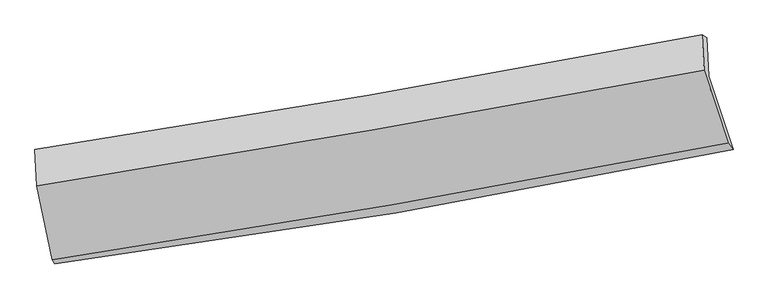
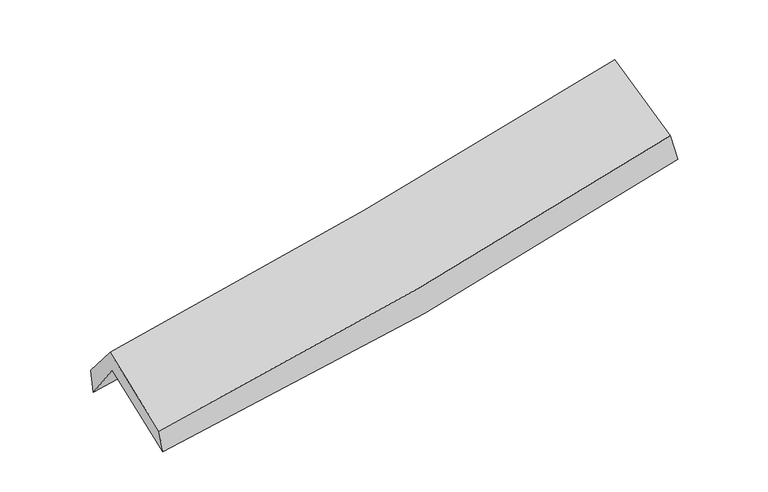
"""IFC4 building model written with IfcOpenShell, lengths in millimetres: proxy geometry."""

from ifc_helpers import new_model, si_unit, frame, origin, place, context, project, spatial, source, transform, mapped, element, save
from ifc_brep_helpers import plane_surface, spline_curve, spline_surface, advanced_brep


def generic_models_70d69d25(model_context):
    return source(origin(), model_context, "Body", "AdvancedBrep", [
        advanced_brep(
        [(-2194.1978348, -2461.8743843, 1512.7829978), (-2302.4261125, -1945.1748885, 1928.8127789), (2219.6786715, -1193.6205774, 2350.0164475), (2385.3453551, -1689.7968816, 1922.6867681), (-2312.077861, -1700.7358008, 1596.9465704), (2207.3448528, -934.5274994, 2025.0201688), (-2328.2521514, -1688.2479312, 1779.5257647), (2175.620085, -914.0783976, 2226.6192328), (-2315.477826, -1936.4993525, 2078.7504139), (2189.2430457, -1152.1553849, 2508.3338812), (-2210.8128819, -2436.1869109, 1676.4180965), (2350.9908529, -1646.9461749, 2107.7390271)],
        [
            (0, 1),
            (1, 2, spline_curve(3, [(-2302.4261125, -1945.1748885, 1928.8127789), (-1540.584544742, -1849.008801051, 1975.982310701), (-782.240707164, -1738.175982349, 2034.740008497), (725.105849787, -1487.566867797, 2175.213139056), (1474.130273623, -1347.881582761, 2256.856663985), (2219.6786715, -1193.6205774, 2350.0164475)], [4, 2, 4], [0.0, 7.614575976882225, 15.205489932287787])),
            (2, 3),
            (3, 0, spline_curve(3, [(2385.3453551, -1689.7968816, 1922.6867681), (1630.682882102, -1845.855454859, 1824.141122078), (872.322680869, -1988.145869724, 1740.739204701), (-654.168626949, -2245.591006097, 1604.010057051), (-1422.322822524, -2360.659758609, 1550.777384097), (-2194.1978348, -2461.8743843, 1512.7829978)], [4, 2, 4], [0.0, 7.590913955405561, 15.205489932287787])),
            (1, 4),
            (4, 5, spline_curve(3, [(-2312.077861, -1700.7358008, 1596.9465704), (-1551.718742758, -1594.282877739, 1643.844907446), (-794.339178552, -1477.089675584, 1703.041495953), (712.116570605, -1221.620262315, 1845.809009597), (1461.211244172, -1083.410697166, 1929.303620215), (2207.3448528, -934.5274994, 2025.0201688)], [4, 2, 4], [0.0, 7.566003182767393, 15.108495282272017])),
            (5, 2),
            (4, 6),
            (6, 7, spline_curve(3, [(-2328.2521514, -1688.2479312, 1779.5257647), (-1572.489132472, -1573.480376817, 1839.362352848), (-818.703951291, -1451.470825966, 1906.607926172), (682.574520962, -1193.369375977, 2055.685057067), (1430.080085352, -1057.322415744, 2137.470639725), (2175.620085, -914.0783976, 2226.6192328)], [4, 2, 4], [0.0, 7.555410351794845, 15.087342537168874])),
            (7, 5),
            (6, 8),
            (8, 9, spline_curve(3, [(-2315.477826, -1936.4993525, 2078.7504139), (-1560.0866788, -1814.877472976, 2131.264352175), (-806.416204208, -1688.595582595, 2193.390586706), (695.146742195, -1427.118676663, 2336.644722586), (1443.049891847, -1291.952577925, 2417.712977386), (2189.2430457, -1152.1553849, 2508.3338812)], [4, 2, 4], [0.0, 7.545527329731923, 15.067607204179282])),
            (9, 7),
            (8, 10),
            (10, 11, spline_curve(3, [(-2210.8128819, -2436.1869109, 1676.4180965), (-1444.265064283, -2320.185652548, 1724.027768277), (-680.253213856, -2196.30036422, 1783.850924794), (840.332294885, -1933.171196405, 1927.700356528), (1596.921689174, -1793.976239362, 2011.650843376), (2350.9908529, -1646.9461749, 2107.7390271)], [4, 2, 4], [0.0, 7.593579151581451, 15.163561528567051])),
            (11, 9),
            (10, 0),
            (3, 11),
        ],
        [
            spline_surface(3, 3, [[(-2194.1978348, -2461.8743843, 1512.7829978), (-1422.322822495, -2360.659758706, 1550.77738414), (-654.168627022, -2245.591006005, 1604.010056961), (872.322680942, -1988.145869816, 1740.739204791), (1630.682882081, -1845.855454945, 1824.141122032), (2385.3453551, -1689.7968816, 1922.6867681)], [(-2230.273927359, -2289.641219035, 1651.459591522), (-1461.743396542, -2190.109439528, 1692.512359664), (-696.859320404, -2076.452664812, 1747.586707464), (823.250403895, -1821.286202429, 1885.563849545), (1578.498679268, -1679.86416419, 1968.379636053), (2330.123127235, -1524.404780183, 2065.129994564)], [(-2266.350019941, -2117.408053765, 1790.136185178), (-1501.163970611, -2019.559120347, 1834.24733512), (-739.550013792, -1907.314323651, 1891.163357983), (774.178126843, -1654.426535074, 2030.388494314), (1526.31447645, -1513.872873485, 2112.618150083), (2274.900899365, -1359.012678817, 2207.573221036)], [(-2302.4261125, -1945.1748885, 1928.8127789), (-1540.584544658, -1849.008801169, 1975.982310644), (-782.240707174, -1738.175982459, 2034.740008486), (725.105849796, -1487.566867687, 2175.213139067), (1474.130273636, -1347.88158273, 2256.856664104), (2219.6786715, -1193.6205774, 2350.0164475)]], [4, 4], [4, 2, 4], [0.0, 2.225417885948153], [0.0, 7.614575976882225, 15.205489932287787]),
            spline_surface(3, 3, [[(-2302.4261125, -1945.1748885, 1928.8127789), (-1540.584544658, -1849.008801169, 1975.982310644), (-782.240707174, -1738.175982459, 2034.740008486), (725.105849796, -1487.566867687, 2175.213139067), (1474.130273636, -1347.88158273, 2256.856664104), (2219.6786715, -1193.6205774, 2350.0164475)], [(-2305.64336201, -1863.695192609, 1818.190709386), (-1544.295943995, -1764.100160041, 1865.26984286), (-786.273530941, -1651.147213538, 1924.173837676), (720.77609004, -1398.917999193, 2065.411762557), (1469.823930513, -1259.724620885, 2147.672316161), (2215.567398598, -1107.256218083, 2241.684354608)], [(-2308.86061149, -1782.215496691, 1707.568639914), (-1548.007343301, -1679.191518884, 1754.557375119), (-790.306354708, -1564.118444617, 1813.607666845), (716.446330284, -1310.269130698, 1955.610386025), (1465.517587395, -1171.567658991, 2038.487968192), (2211.456125702, -1020.891858717, 2133.352261692)], [(-2312.077861, -1700.7358008, 1596.9465704), (-1551.718742638, -1594.282877756, 1643.844907336), (-794.339178475, -1477.089675697, 1703.041496035), (712.116570528, -1221.620262203, 1845.809009514), (1461.211244272, -1083.410697147, 1929.303620249), (2207.3448528, -934.5274994, 2025.0201688)]], [4, 4], [4, 2, 4], [0.0, 1.387530643788345], [0.0, 7.566003182767393, 15.108495282272017]),
            spline_surface(3, 3, [[(-2312.077861, -1700.7358008, 1596.9465704), (-1551.718742638, -1594.282877756, 1643.844907336), (-794.339178475, -1477.089675697, 1703.041496035), (712.116570528, -1221.620262203, 1845.809009514), (1461.211244272, -1083.410697147, 1929.303620249), (2207.3448528, -934.5274994, 2025.0201688)], [(-2317.469291137, -1696.573177593, 1657.806301842), (-1558.642205924, -1587.348710732, 1709.017389191), (-802.460769433, -1468.55005909, 1770.896972767), (702.269220717, -1212.203300177, 1915.767692017), (1450.834191307, -1074.714603352, 1998.692626722), (2196.769930184, -927.711132139, 2092.219856783)], [(-2322.860721263, -1692.410554407, 1718.666033258), (-1565.565669199, -1580.414543729, 1774.189871021), (-810.582360429, -1460.010442454, 1838.752449493), (692.421870869, -1202.786338121, 1985.726374513), (1440.457138391, -1066.018509542, 2068.081633246), (2186.195007616, -920.894764861, 2159.419544817)], [(-2328.2521514, -1688.2479312, 1779.5257647), (-1572.489132485, -1573.480376706, 1839.362352877), (-818.703951388, -1451.470825848, 1906.607926224), (682.574521059, -1193.369376095, 2055.685057016), (1430.080085426, -1057.322415747, 2137.47063972), (2175.620085, -914.0783976, 2226.6192328)]], [4, 4], [4, 2, 4], [0.0, 0.6896081455328721], [0.0, 7.555410351794845, 15.087342537168874]),
            spline_surface(3, 3, [[(-2328.2521514, -1688.2479312, 1779.5257647), (-1572.489132485, -1573.480376706, 1839.362352877), (-818.703951388, -1451.470825848, 1906.607926224), (682.574521059, -1193.369376095, 2055.685057016), (1430.080085426, -1057.322415747, 2137.47063972), (2175.620085, -914.0783976, 2226.6192328)], [(-2323.994042928, -1770.998404973, 1879.267314434), (-1568.354981267, -1653.94607548, 1936.663019325), (-814.608035723, -1530.512411388, 2002.202146343), (686.765261456, -1271.285809606, 2149.338278875), (1434.403354183, -1135.532469822, 2230.884752268), (2180.16107189, -993.437393365, 2320.524115613)], [(-2319.735934472, -1853.748878727, 1979.008864166), (-1564.220830064, -1734.411774234, 2033.963685771), (-810.512119994, -1609.553997009, 2097.79636652), (690.956001918, -1349.202243197, 2242.991500794), (1438.72662297, -1213.742523903, 2324.298864777), (2184.70205881, -1072.796389135, 2414.428998387)], [(-2315.477826, -1936.4993525, 2078.7504139), (-1560.086678846, -1814.877473008, 2131.264352219), (-806.416204328, -1688.59558255, 2193.390586639), (695.146742315, -1427.118676708, 2336.644722653), (1443.049891727, -1291.952577978, 2417.712977325), (2189.2430457, -1152.1553849, 2508.3338812)]], [4, 4], [4, 2, 4], [0.0, 1.2106946518718875], [0.0, 7.545527329731923, 15.067607204179282]),
            spline_surface(3, 3, [[(-2315.477826, -1936.4993525, 2078.7504139), (-1560.086678846, -1814.877473008, 2131.264352219), (-806.416204328, -1688.59558255, 2193.390586639), (695.146742315, -1427.118676708, 2336.644722653), (1443.049891727, -1291.952577978, 2417.712977325), (2189.2430457, -1152.1553849, 2508.3338812)], [(-2280.589511314, -2103.061871967, 1944.639641413), (-1521.479474032, -1983.313532835, 1995.518824229), (-764.361874126, -1857.830509789, 2056.877366054), (743.541926493, -1595.802849935, 2200.329933907), (1494.340490867, -1459.293798417, 2282.358932651), (2243.158981436, -1317.085648242, 2374.802263145)], [(-2245.701196586, -2269.624391433, 1810.528868987), (-1482.872269176, -2151.749592659, 1859.773296299), (-722.307543973, -2027.065437013, 1920.364145482), (791.937110622, -1764.487023146, 2064.015145172), (1545.631089999, -1626.63501883, 2147.004888042), (2297.074917164, -1482.015911558, 2241.270645155)], [(-2210.8128819, -2436.1869109, 1676.4180965), (-1444.265064362, -2320.185652486, 1724.027768309), (-680.253213771, -2196.300364253, 1783.850924897), (840.3322948, -1933.171196373, 1927.700356426), (1596.921689139, -1793.976239269, 2011.650843368), (2350.9908529, -1646.9461749, 2107.7390271)]], [4, 4], [4, 2, 4], [0.0, 2.183195688874474], [0.0, 7.593579151581451, 15.163561528567051]),
            spline_surface(3, 3, [[(-2210.8128819, -2436.1869109, 1676.4180965), (-1444.265064362, -2320.185652486, 1724.027768309), (-680.253213771, -2196.300364253, 1783.850924897), (840.3322948, -1933.171196373, 1927.700356426), (1596.921689139, -1793.976239269, 2011.650843368), (2350.9908529, -1646.9461749, 2107.7390271)], [(-2205.274532852, -2444.749402022, 1621.873063603), (-1436.950983725, -2333.677021214, 1666.277640256), (-671.558351531, -2212.730578192, 1723.903968938), (850.995756838, -1951.496087542, 1865.379972567), (1608.175420144, -1811.269311149, 1949.147602943), (2362.442353657, -1661.229743788, 2046.054940787)], [(-2199.736183848, -2453.311893178, 1567.328030697), (-1429.636903132, -2347.168389978, 1608.527512194), (-662.863489263, -2229.160792066, 1663.95701292), (861.659218904, -1969.820978646, 1803.05958865), (1619.429151076, -1828.562383065, 1886.644362457), (2373.893854343, -1675.513312712, 1984.370854413)], [(-2194.1978348, -2461.8743843, 1512.7829978), (-1422.322822495, -2360.659758706, 1550.77738414), (-654.168627022, -2245.591006005, 1604.010056961), (872.322680942, -1988.145869816, 1740.739204791), (1630.682882081, -1845.855454945, 1824.141122032), (2385.3453551, -1689.7968816, 1922.6867681)]], [4, 4], [4, 2, 4], [0.0, 0.6327122236467304], [0.0, 7.651878247946097, 15.279978558947391]),
            plane_surface(frame((2254.7038105, -1255.187486, 2190.0692543), z_axis=(0.9687532704390887, 0.21055210249682765, 0.13109123978258735), x_axis=(0.2462463974145546, -0.7532741965468146, -0.6098694094452553))),
            plane_surface(frame((-2277.2074446, -2028.1198781, 1762.2061037), z_axis=(-0.9865052581622534, -0.14421048889959912, -0.07752877214018314), x_axis=(-0.09980789303876418, 0.15430666983015362, 0.9829688886903241))),
        ],
        [
            (0, [[1, 2, 3, 4]]),
            (1, [[5, 6, 7, -2]]),
            (2, [[8, 9, 10, -6]]),
            (3, [[11, 12, 13, -9]]),
            (4, [[14, 15, 16, -12]]),
            (5, [[17, -4, 18, -15]]),
            (6, [[-16, -18, -3, -7, -10, -13]]),
            (7, [[-17, -14, -11, -8, -5, -1]]),
        ],
    ),
    ])


if __name__ == "__main__":
    model = new_model("IFC4")
    model_context = context("Model", 3, world=origin())
    ifc_project = project(units=[si_unit("LENGTHUNIT", "METRE", prefix="MILLI")], contexts=[model_context])
    site = spatial("IfcSite", under=ifc_project)
    building = spatial("IfcBuilding", under=site)
    placement = place(None, origin())
    generic_models_shape = generic_models_70d69d25(model_context)
    element("IfcBuildingElementProxy", 1, Name="Generic Models", at=placement, inside=building, context=model_context, shape_type="MappedRepresentation", body=[
        mapped(generic_models_shape, transform((0.0, 0.0, 0.0), x_axis=(1.0, 0.0, 0.0), y_axis=(0.0, 1.0, 0.0), z_axis=(0.0, 0.0, 1.0))),
    ])
    save(model, "model.ifc")
